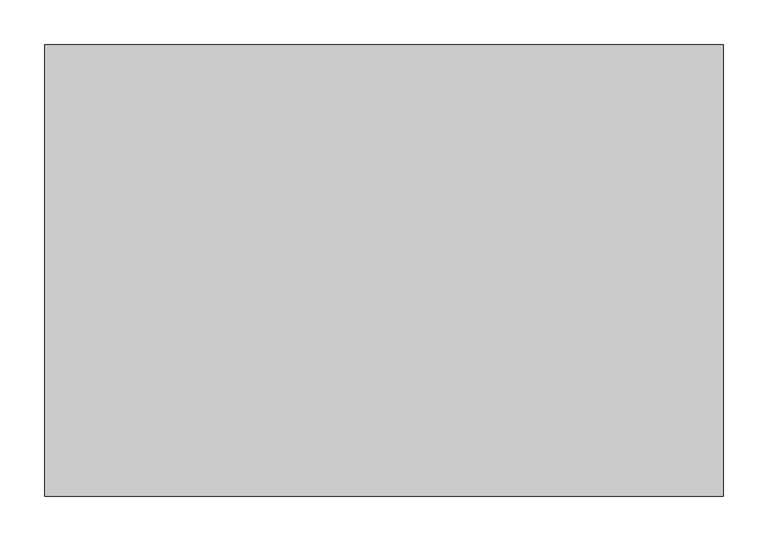
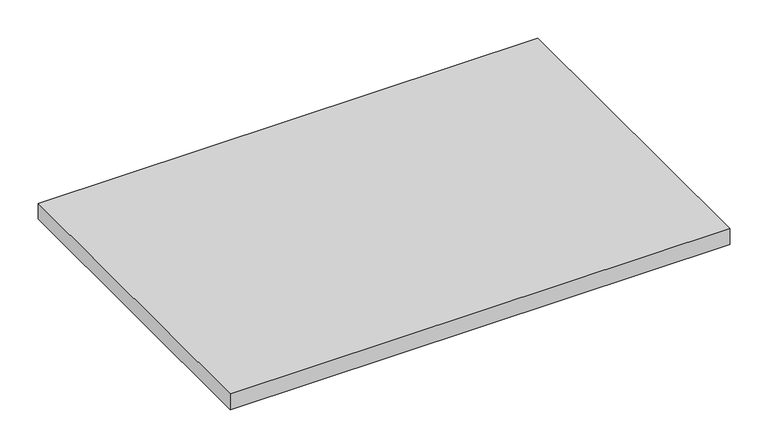
"""IFC4 building model written with IfcOpenShell, lengths in millimetres: furniture geometry."""

from ifc_helpers import new_model, si_unit, frame, origin, place, context, project, spatial, polyline, outline, extrude, source, transform, mapped, element, save


def furniture_802f4b6c(model_context):
    return source(origin(), model_context, "Body", "SweptSolid", [
        extrude(outline(polyline([(760.3998, -548.7539634), (760.3998, -1053.7059634), (1.6002, -1053.7059634), (1.6002, -548.7539634), (760.3998, -548.7539634)])), frame((0.0, 0.0, 565.15), z_axis=(0.0, 0.0, 1.0), x_axis=(1.0, 0.0, 0.0)), (0.0, 0.0, 1.0), 25.4),
    ])


if __name__ == "__main__":
    model = new_model("IFC4")
    model_context = context("Model", 3, world=origin())
    ifc_project = project(units=[si_unit("LENGTHUNIT", "METRE", prefix="MILLI")], contexts=[model_context])
    site = spatial("IfcSite", under=ifc_project)
    building = spatial("IfcBuilding", under=site)
    placement = place(None, origin())
    furniture_shape = furniture_802f4b6c(model_context)
    element("IfcFurniture", 1, at=placement, inside=building, context=model_context, shape_type="MappedRepresentation", body=[
        mapped(furniture_shape, transform((0.0, 0.0, 0.0), x_axis=(1.0, 0.0, 0.0), y_axis=(0.0, 1.0, 0.0), z_axis=(0.0, 0.0, 1.0))),
    ])
    save(model, "model.ifc")
